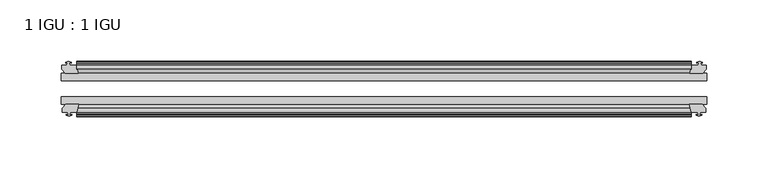
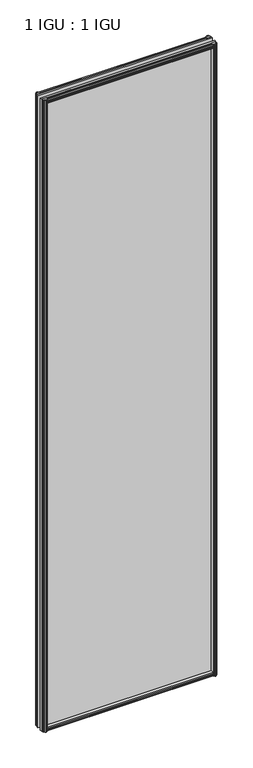
"""IFC4 building model written with IfcOpenShell, lengths in millimetres: plate geometry, 1 IGU : 1 IGU."""

from ifc_helpers import new_model, si_unit, frame, origin, place, context, project, spatial, polyline, outline, extrude, source, transform, mapped, element, save


def plate_1_igu_1_igu_6f4f645f(model_context):
    return source(origin(), model_context, "Body", "SweptSolid", [
        extrude(outline(polyline([(-25.8960937, 1.1970181), (-19.5460937, -0.5207), (-19.5460937, -5.7277), (-17.1658968, -6.1087), (-17.62583, -4.6931709), (-16.8246158, -4.6931709), (-16.1170937, -6.8707), (-16.8246158, -9.0482291), (-17.62583, -9.0482291), (-17.1658968, -7.6327), (-19.5460937, -8.0137), (-19.5460937, -12.4587), (-22.4924937, -12.4587), (-25.8960937, -9.6243578), (-25.8960937, 1.1970181)])), frame((-250.8249997, 0.0, 0.0), z_axis=(1.0, 0.0, 0.0), x_axis=(0.0, 1.0, 0.0)), (0.0, 0.0, 1.0), 501.6499994),
        extrude(outline(polyline([(-51.2960937, 1.7177181), (-51.2960937, -9.1036578), (-54.6996937, -11.938), (-57.6460937, -11.938), (-57.6460937, -7.493), (-60.0262907, -7.112), (-59.5663575, -8.5275291), (-60.3675717, -8.5275291), (-61.0750937, -6.35), (-60.3675717, -4.1724709), (-59.5663575, -4.1724709), (-60.0262907, -5.588), (-57.6460937, -5.207), (-57.6460937, 0.0), (-51.2960937, 1.7177181)])), frame((-250.8249997, 0.0, 0.0), z_axis=(1.0, 0.0, 0.0), x_axis=(0.0, 1.0, 0.0)), (0.0, 0.0, 1.0), 501.6499994),
        extrude(outline(polyline([(-57.6460937, 2005.838), (-54.6996937, 2005.838), (-51.2960937, 2003.0036578), (-51.2960937, 1992.1822819), (-57.6460937, 1993.9), (-57.6460937, 1999.107), (-60.0262907, 1999.488), (-59.5663575, 1998.072471), (-60.3675717, 1998.072471), (-61.0750937, 2000.25), (-60.3675717, 2002.4275291), (-59.5663575, 2002.4275291), (-60.0262907, 2001.012), (-57.6460937, 2001.393), (-57.6460937, 2005.838)])), frame((-250.8249997, 0.0, 0.0), z_axis=(1.0, 0.0, 0.0), x_axis=(0.0, 1.0, 0.0)), (0.0, 0.0, 1.0), 501.6499994),
        extrude(outline(polyline([(-19.5460937, 2006.3587), (-19.5460937, 2001.9137), (-17.1658968, 2001.5327), (-17.62583, 2002.9482291), (-16.8246158, 2002.9482291), (-16.1170937, 2000.7707), (-16.8246158, 1998.593171), (-17.62583, 1998.593171), (-17.1658968, 2000.0087), (-19.5460937, 1999.6277), (-19.5460937, 1994.4207), (-25.8960937, 1992.7029819), (-25.8960937, 2003.5243578), (-22.4924937, 2006.3587), (-19.5460937, 2006.3587)])), frame((-250.8249997, 0.0, 0.0), z_axis=(1.0, 0.0, 0.0), x_axis=(0.0, 1.0, 0.0)), (0.0, 0.0, 1.0), 501.6499994),
        extrude(outline(polyline([(-257.6956997, -16.1170937), (-255.5181707, -16.8246158), (-255.5181707, -17.62583), (-256.9336997, -17.1658968), (-256.5526997, -19.5460937), (-251.3456997, -19.5460937), (-249.6279816, -25.8960937), (-260.4493575, -25.8960937), (-263.2836997, -22.4924937), (-263.2836997, -19.5460937), (-258.8386997, -19.5460937), (-258.4576997, -17.1658968), (-259.8732288, -17.62583), (-259.8732288, -16.8246158), (-257.6956997, -16.1170937)])), frame((0.0, 0.0, -12.7), z_axis=(0.0, 0.0, 1.0), x_axis=(1.0, 0.0, 0.0)), (0.0, 0.0, 1.0), 2019.3),
        extrude(outline(polyline([(-257.1749997, -61.0750938), (-259.3525288, -60.3675717), (-259.3525288, -59.5663575), (-257.9369997, -60.0262907), (-258.3179997, -57.6460938), (-262.7629997, -57.6460938), (-262.7629997, -54.6996938), (-259.9286575, -51.2960937), (-249.1072816, -51.2960937), (-250.8249997, -57.6460938), (-256.0319997, -57.6460938), (-256.4129997, -60.0262907), (-254.9974707, -59.5663575), (-254.9974707, -60.3675717), (-257.1749997, -61.0750938)])), frame((0.0, 0.0, -12.7), z_axis=(0.0, 0.0, 1.0), x_axis=(1.0, 0.0, 0.0)), (0.0, 0.0, 1.0), 2019.3),
        extrude(outline(polyline([(256.5526997, -19.5460937), (256.9336997, -17.1658968), (255.5181707, -17.62583), (255.5181707, -16.8246158), (257.6956997, -16.1170937), (259.8732288, -16.8246158), (259.8732288, -17.62583), (258.4576997, -17.1658968), (258.8386997, -19.5460937), (263.2836997, -19.5460937), (263.2836997, -22.4924937), (260.4493575, -25.8960937), (249.6279816, -25.8960937), (251.3456997, -19.5460937), (256.5526997, -19.5460937)])), frame((0.0, 0.0, -12.7), z_axis=(0.0, 0.0, 1.0), x_axis=(1.0, 0.0, 0.0)), (0.0, 0.0, 1.0), 2019.3),
        extrude(outline(polyline([(259.9286575, -51.2960937), (262.7629997, -54.6996937), (262.7629997, -57.6460937), (258.3179997, -57.6460937), (257.9369997, -60.0262907), (259.3525288, -59.5663575), (259.3525288, -60.3675717), (257.1749997, -61.0750937), (254.9974707, -60.3675717), (254.9974707, -59.5663575), (256.4129997, -60.0262907), (256.0319997, -57.6460937), (250.8249997, -57.6460937), (249.1072816, -51.2960937), (259.9286575, -51.2960937)])), frame((0.0, 0.0, -12.7), z_axis=(0.0, 0.0, 1.0), x_axis=(1.0, 0.0, 0.0)), (0.0, 0.0, 1.0), 2019.3),
        extrude(outline(polyline([(-263.5249997, -25.8960937), (263.5249997, -25.8960937), (263.5249997, -32.2460937), (-263.5249997, -32.2460937), (-263.5249997, -25.8960937)])), frame((0.0, 0.0, -12.7), z_axis=(0.0, 0.0, 1.0), x_axis=(1.0, 0.0, 0.0)), (0.0, 0.0, 1.0), 2019.3),
        extrude(outline(polyline([(263.5249997, -45.2686737), (263.5249997, -51.2960937), (-263.5249997, -51.2960937), (-263.5249997, -45.2686737), (263.5249997, -45.2686737)])), frame((0.0, 0.0, -12.7), z_axis=(0.0, 0.0, 1.0), x_axis=(1.0, 0.0, 0.0)), (0.0, 0.0, 1.0), 2019.3),
    ])


if __name__ == "__main__":
    model = new_model("IFC4")
    model_context = context("Model", 3, world=origin())
    ifc_project = project(units=[si_unit("LENGTHUNIT", "METRE", prefix="MILLI")], contexts=[model_context])
    site = spatial("IfcSite", under=ifc_project)
    building = spatial("IfcBuilding", under=site)
    placement = place(None, origin())
    plate_1_igu_1_igu_shape = plate_1_igu_1_igu_6f4f645f(model_context)
    element("IfcPlate", 1, ObjectType="1 IGU : 1 IGU", at=placement, inside=building, context=model_context, shape_type="MappedRepresentation", body=[
        mapped(plate_1_igu_1_igu_shape, transform((0.0, 0.0, 0.0), x_axis=(1.0, 0.0, 0.0), y_axis=(0.0, 1.0, 0.0), z_axis=(0.0, 0.0, 1.0))),
    ])
    save(model, "model.ifc")
